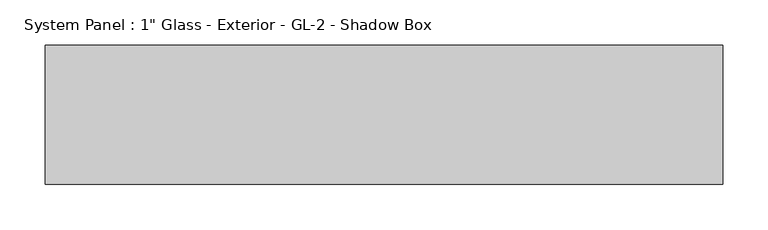
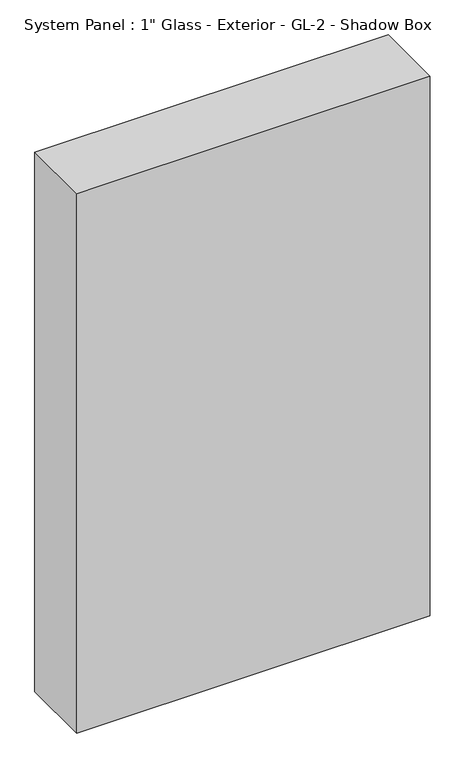
"""IFC4 building model written with IfcOpenShell, lengths in millimetres: plate geometry."""

import ifcopenshell
import ifcopenshell.guid

model = None  # the IFC model being written
_history = None  # IfcOwnerHistory: only IFC2X3 demands one
_inside = {}  # id of a spatial element -> (the spatial element, [elements in it])
_under = {}  # id of a project, library or spatial element -> (it, [spatial elements below it])
_declared = {}  # id of a project -> (the project, [libraries it declares])
_typed = {}  # id of a type object -> (the type object, [elements of that type])
_made_of = {}  # id of a material, layer set ... -> (it, [elements and type objects made of it])


def new_model(schema):
    """Start an empty IFC model of exactly this schema.

    Asked for "IFC4X3", IfcOpenShell would pick the latest addendum, in which some entities
    have other attributes; the version numbers below select the first issue.
    IFC2X3 requires an IfcOwnerHistory on every rooted entity: one is made here for all.
    """
    global model, _history
    if schema == "IFC4X3":
        model = ifcopenshell.file(schema_version=(4, 3, 0, 0))
    else:
        model = ifcopenshell.file(schema=schema)
    _inside.clear()
    _under.clear()
    _declared.clear()
    _typed.clear()
    _made_of.clear()
    _history = None
    if model.schema == "IFC2X3":
        org = make("IfcOrganization", Name="unknown")
        user = make(
            "IfcPersonAndOrganization",
            ThePerson=make("IfcPerson", FamilyName="unknown"),
            TheOrganization=org,
        )
        app = make(
            "IfcApplication",
            ApplicationDeveloper=org,
            Version="unknown",
            ApplicationFullName="unknown",
            ApplicationIdentifier="unknown",
        )
        _history = make(
            "IfcOwnerHistory",
            OwningUser=user,
            OwningApplication=app,
            ChangeAction="ADDED",
            CreationDate=0,
        )
    return model


def make(cls, **values):
    """One entity of the class cls with the attributes given. An attribute that is None is left unset."""
    return model.create_entity(
        cls, **{name: value for name, value in values.items() if value is not None}
    )


def rooted(cls, **values):
    """An entity with a GlobalId (a new one), such as an element, a storey or a relation."""
    return make(cls, GlobalId=ifcopenshell.guid.new(), OwnerHistory=_history, **values)


def si_unit(unit_type, name, prefix=None):
    """IfcSIUnit, for example si_unit("LENGTHUNIT", "METRE", prefix="MILLI")."""
    return make("IfcSIUnit", UnitType=unit_type, Prefix=prefix, Name=name)


def assignment(units):
    """IfcUnitAssignment: the units of a project."""
    return None if units is None else make("IfcUnitAssignment", Units=units)


def point(xyz):
    """IfcCartesianPoint."""
    return None if xyz is None else make("IfcCartesianPoint", Coordinates=xyz)


def direction(xyz):
    """IfcDirection."""
    return None if xyz is None else make("IfcDirection", DirectionRatios=xyz)


def frame(location, z_axis=None, x_axis=None):
    """IfcAxis2Placement3D, a coordinate frame: its origin and axes. An axis left out is left unset."""
    return make(
        "IfcAxis2Placement3D",
        Location=point(location),
        Axis=direction(z_axis),
        RefDirection=direction(x_axis),
    )


def origin():
    """The frame at (0, 0, 0) with its axes left unset."""
    return frame((0.0, 0.0, 0.0))


def origin_with_axes():
    """The frame at (0, 0, 0) with the z axis (0, 0, 1) and the x axis (1, 0, 0) written out."""
    return frame((0.0, 0.0, 0.0), z_axis=(0.0, 0.0, 1.0), x_axis=(1.0, 0.0, 0.0))


def place(relative_to, where):
    """IfcLocalPlacement: puts the frame where relative to a parent placement (None: the world)."""
    return make(
        "IfcLocalPlacement", PlacementRelTo=relative_to, RelativePlacement=where
    )


def context(
    kind, dimensions, precision=None, world=None, true_north=None, identifier=None
):
    """IfcGeometricRepresentationContext, for example the 3D "Model" context."""
    return make(
        "IfcGeometricRepresentationContext",
        ContextIdentifier=identifier,
        ContextType=kind,
        CoordinateSpaceDimension=dimensions,
        Precision=precision,
        WorldCoordinateSystem=world,
        TrueNorth=true_north,
    )


def project(units=None, contexts=None):
    """IfcProject with its units and contexts."""
    return rooted(
        "IfcProject",
        Name="project",
        RepresentationContexts=contexts,
        UnitsInContext=assignment(units),
    )


def spatial(cls, under=None, at=None, **own):
    """A site, building, storey or space (cls), placed at a placement, below another one or the project."""
    s = rooted(cls, ObjectPlacement=at, **own)
    if under is not None:
        _under.setdefault(under.id(), (under, []))[1].append(s)
    return s


def polyline(points):
    """IfcPolyline through the points."""
    return make("IfcPolyline", Points=[point(p) for p in points])


def outline(outer, holes=None, kind="AREA"):
    """IfcArbitraryClosedProfileDef: a profile drawn as a closed curve; with holes, ...WithVoids."""
    if holes is None:
        return make("IfcArbitraryClosedProfileDef", ProfileType=kind, OuterCurve=outer)
    return make(
        "IfcArbitraryProfileDefWithVoids",
        ProfileType=kind,
        OuterCurve=outer,
        InnerCurves=holes,
    )


def extrude(swept, where, along, depth):
    """IfcExtrudedAreaSolid: the profile swept, set in the frame where, extruded along a direction by depth."""
    return make(
        "IfcExtrudedAreaSolid",
        SweptArea=swept,
        Position=where,
        ExtrudedDirection=direction(along),
        Depth=depth,
    )


def shape(context_of_items, identifier, shape_type, items):
    """IfcShapeRepresentation: the items that make up one representation, for example the "Body"."""
    return make(
        "IfcShapeRepresentation",
        ContextOfItems=context_of_items,
        RepresentationIdentifier=identifier,
        RepresentationType=shape_type,
        Items=items,
    )


def source(mapping_origin, context_of_items, identifier, shape_type, items):
    """IfcRepresentationMap: a shape defined once, which mapped items show again and again."""
    return make(
        "IfcRepresentationMap",
        MappingOrigin=mapping_origin,
        MappedRepresentation=shape(context_of_items, identifier, shape_type, items),
    )


def transform(
    local_origin,
    x_axis=None,
    y_axis=None,
    z_axis=None,
    scale=None,
    scale2=None,
    scale3=None,
    uniform=True,
):
    """IfcCartesianTransformationOperator3D, or its non-uniform kind. x_axis, y_axis, z_axis: its Axis1, 2, 3."""
    if uniform:
        return make(
            "IfcCartesianTransformationOperator3D",
            Axis1=direction(x_axis),
            Axis2=direction(y_axis),
            LocalOrigin=point(local_origin),
            Scale=scale,
            Axis3=direction(z_axis),
        )
    return make(
        "IfcCartesianTransformationOperator3DnonUniform",
        Axis1=direction(x_axis),
        Axis2=direction(y_axis),
        LocalOrigin=point(local_origin),
        Scale=scale,
        Axis3=direction(z_axis),
        Scale2=scale2,
        Scale3=scale3,
    )


def mapped(mapping_source, mapping_target):
    """IfcMappedItem: shows the shape of a source again, moved by a transform."""
    return make(
        "IfcMappedItem", MappingSource=mapping_source, MappingTarget=mapping_target
    )


def made_of(thing, what):
    """Note that an element or type object is made of a material, layer set ...; save() writes the relation."""
    if what is not None:
        _made_of.setdefault(what.id(), (what, []))[1].append(thing)
    return thing


def element(
    cls,
    number,
    at=None,
    inside=None,
    cuts=None,
    type_object=None,
    material=None,
    context=None,
    identifier="Body",
    shape_type=None,
    held_by="IfcProductDefinitionShape",
    body=None,
    shapes=None,
    **own,
):
    """One element of the class cls, such as IfcWall. Its Tag is "e" and its number.

    at: its placement. inside: the storey or other place that contains it. cuts: it is an
    opening in that element (IfcRelVoidsElement). A single representation is given by context,
    identifier, shape_type and body (its items); several are given by shapes. held_by: the class
    of the entity that holds the representations. save() writes the other relations.
    """
    e = rooted(cls, Tag="e%d" % number, ObjectPlacement=at, **own)
    if body is not None:
        shapes = [shape(context, identifier, shape_type, body)]
    if shapes is not None:
        e.Representation = make(held_by, Representations=shapes)
    if inside is not None:
        _inside.setdefault(inside.id(), (inside, []))[1].append(e)
    if cuts is not None:
        rooted(
            "IfcRelVoidsElement", RelatingBuildingElement=cuts, RelatedOpeningElement=e
        )
    if type_object is not None:
        _typed.setdefault(type_object.id(), (type_object, []))[1].append(e)
    return made_of(e, material)


def aggregate(whole, parts):
    """IfcRelAggregates: a whole, such as a stair, and the parts it consists of."""
    return rooted("IfcRelAggregates", RelatingObject=whole, RelatedObjects=parts)


def save(model, path):
    """Write the relations noted so far, then the file.

    IfcRelAggregates (storeys below a building ...), IfcRelContainedInSpatialStructure (elements
    in a storey), IfcRelDefinesByType, IfcRelAssociatesMaterial and IfcRelDeclares: one each for
    every whole, place, type object, material and project.
    """
    for whole, parts in _under.values():
        aggregate(whole, parts)
    for where, things in _inside.values():
        rooted(
            "IfcRelContainedInSpatialStructure",
            RelatedElements=things,
            RelatingStructure=where,
        )
    for kind, things in _typed.values():
        rooted("IfcRelDefinesByType", RelatedObjects=things, RelatingType=kind)
    for what, things in _made_of.values():
        rooted("IfcRelAssociatesMaterial", RelatedObjects=things, RelatingMaterial=what)
    for by, libraries in _declared.values():
        rooted("IfcRelDeclares", RelatingContext=by, RelatedDefinitions=libraries)
    model.write(path)


def plate_d3d3ff75(model_context):
    return source(origin(), model_context, "Body", "SweptSolid", [
        extrude(outline(polyline([(372.2050577, 0.0), (-372.2050577, 0.0), (-372.2050577, 152.4), (372.2050577, 152.4), (372.2050577, 0.0)])), origin_with_axes(), (0.0, 0.0, 1.0), 1200.15),
    ])


if __name__ == "__main__":
    model = new_model("IFC4")
    model_context = context("Model", 3, world=origin())
    ifc_project = project(units=[si_unit("LENGTHUNIT", "METRE", prefix="MILLI")], contexts=[model_context])
    site = spatial("IfcSite", under=ifc_project)
    building = spatial("IfcBuilding", under=site)
    placement = place(None, origin())
    plate_shape = plate_d3d3ff75(model_context)
    element("IfcPlate", 1, ObjectType="System Panel : 1\" Glass - Exterior - GL-2 - Shadow Box", at=placement, inside=building, context=model_context, shape_type="MappedRepresentation", body=[
        mapped(plate_shape, transform((0.0, 0.0, 0.0), x_axis=(1.0, 0.0, 0.0), y_axis=(0.0, 1.0, 0.0), z_axis=(0.0, 0.0, 1.0))),
    ])
    save(model, "model.ifc")
